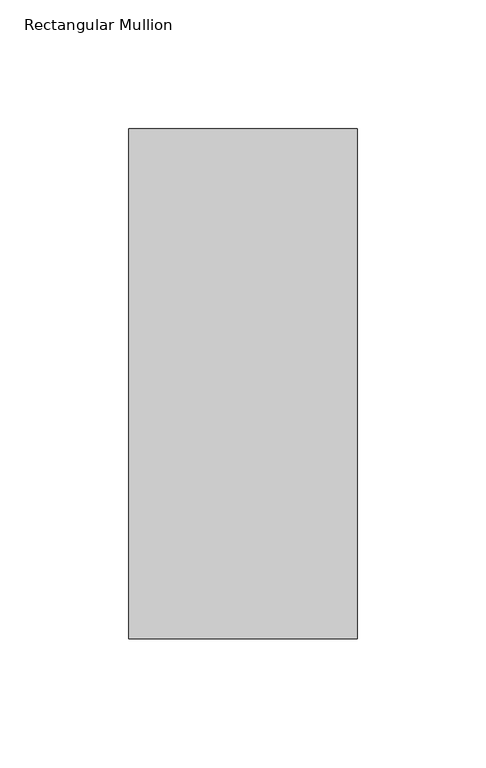
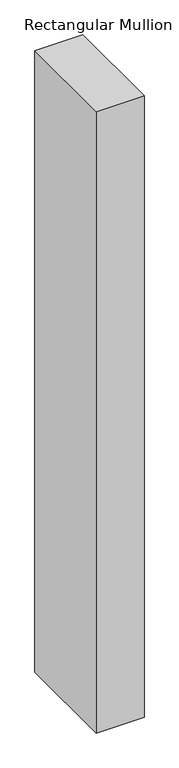
"""IFC4 building model written with IfcOpenShell, lengths in millimetres: member geometry, Rectangular Mullion."""

from ifc_helpers import new_model, si_unit, frame, origin, place, context, project, spatial, polyline, outline, extrude, source, transform, mapped, element, save


def rectangular_mullion_8f2ad21a(model_context):
    return source(origin(), model_context, "Body", "SweptSolid", [
        extrude(outline(polyline([(-88.9, 42.06875), (0.0, 42.06875), (0.0, -156.36875), (-88.9, -156.36875), (-88.9, 42.06875)])), frame((0.0, 0.0, -1224.75625), z_axis=(0.0, 0.0, 1.0), x_axis=(1.0, 0.0, 0.0)), (0.0, 0.0, 1.0), 1224.75625),
    ])


if __name__ == "__main__":
    model = new_model("IFC4")
    model_context = context("Model", 3, world=origin())
    ifc_project = project(units=[si_unit("LENGTHUNIT", "METRE", prefix="MILLI")], contexts=[model_context])
    site = spatial("IfcSite", under=ifc_project)
    building = spatial("IfcBuilding", under=site)
    placement = place(None, origin())
    rectangular_mullion_shape = rectangular_mullion_8f2ad21a(model_context)
    element("IfcMember", 1, ObjectType="Rectangular Mullion", at=placement, inside=building, context=model_context, shape_type="MappedRepresentation", body=[
        mapped(rectangular_mullion_shape, transform((0.0, 0.0, 0.0), x_axis=(1.0, 0.0, 0.0), y_axis=(0.0, 1.0, 0.0), z_axis=(0.0, 0.0, 1.0))),
    ])
    save(model, "model.ifc")
